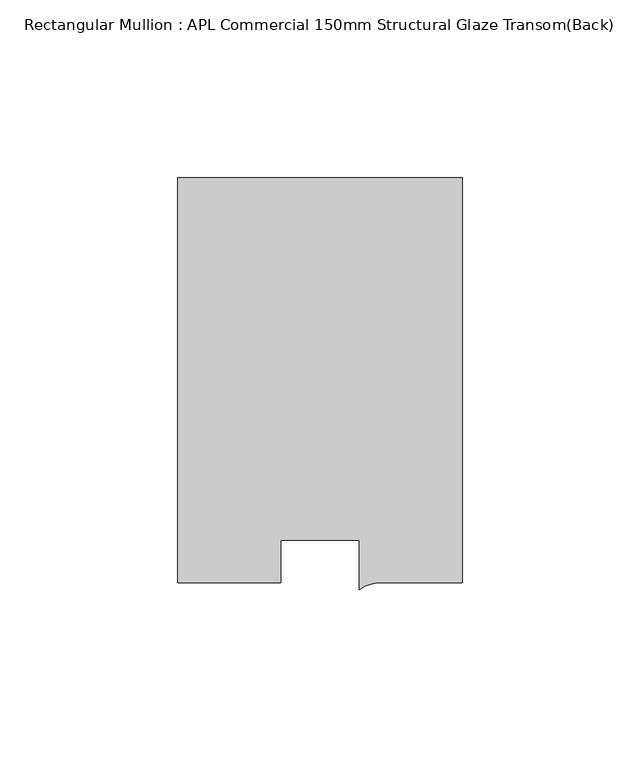
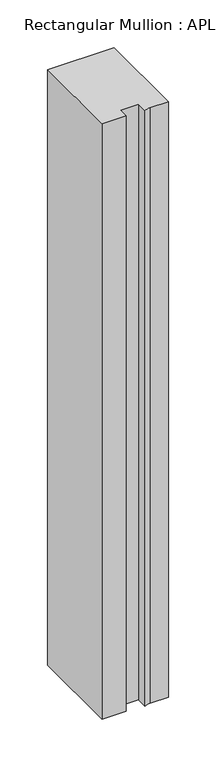
"""IFC4 building model written with IfcOpenShell, lengths in millimetres: member geometry, Rectangular Mullion : APL Commercial 150mm Structural Glaze Transom(Back)."""

from ifc_helpers import new_model, si_unit, point, frame, frame_2d, origin, place, context, project, spatial, polyline, circle_curve, trimmed, segment, composite_curve, outline, extrude, source, transform, mapped, element, save


def rectangular_mullion_apl_commercial_150mm_structural_glaze_f0cac264(model_context):
    return source(origin(), model_context, "Body", "SweptSolid", [
        extrude(outline(composite_curve([segment(polyline([(40.0, 128.9999975), (40.0, 15.0000829), (17.9999542, 15.0000829)]), True, "CONTINUOUS"), segment(trimmed(circle_curve(frame_2d((17.1097719, 4.581653)), 10.4563907), [point((17.9999542, 15.0000829))], [point((11.0000151, 13.0673455))], True, "CARTESIAN"), True, "CONTINUOUS"), segment(polyline([(11.0000151, 13.0673455), (11.0000151, 27.0), (-11.0000151, 27.0), (-11.0000151, 15.0000829), (-40.0, 15.0000829), (-40.0, 128.9999975), (40.0, 128.9999975)]), True, "CONTINUOUS")], self_intersect=False)), frame((0.0, 0.0, -760.1422625), z_axis=(0.0, 0.0, 1.0), x_axis=(1.0, 0.0, 0.0)), (0.0, 0.0, 1.0), 760.1422625),
    ])


if __name__ == "__main__":
    model = new_model("IFC4")
    model_context = context("Model", 3, world=origin())
    ifc_project = project(units=[si_unit("LENGTHUNIT", "METRE", prefix="MILLI")], contexts=[model_context])
    site = spatial("IfcSite", under=ifc_project)
    building = spatial("IfcBuilding", under=site)
    placement = place(None, origin())
    rectangular_mullion_apl_commercial_150mm_structural_glaze_shape = rectangular_mullion_apl_commercial_150mm_structural_glaze_f0cac264(model_context)
    element("IfcMember", 1, ObjectType="Rectangular Mullion : APL Commercial 150mm Structural Glaze Transom(Back)", at=placement, inside=building, context=model_context, shape_type="MappedRepresentation", body=[
        mapped(rectangular_mullion_apl_commercial_150mm_structural_glaze_shape, transform((0.0, 0.0, 0.0), x_axis=(1.0, 0.0, 0.0), y_axis=(0.0, 1.0, 0.0), z_axis=(0.0, 0.0, 1.0))),
    ])
    save(model, "model.ifc")
